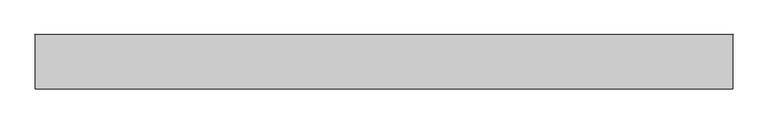
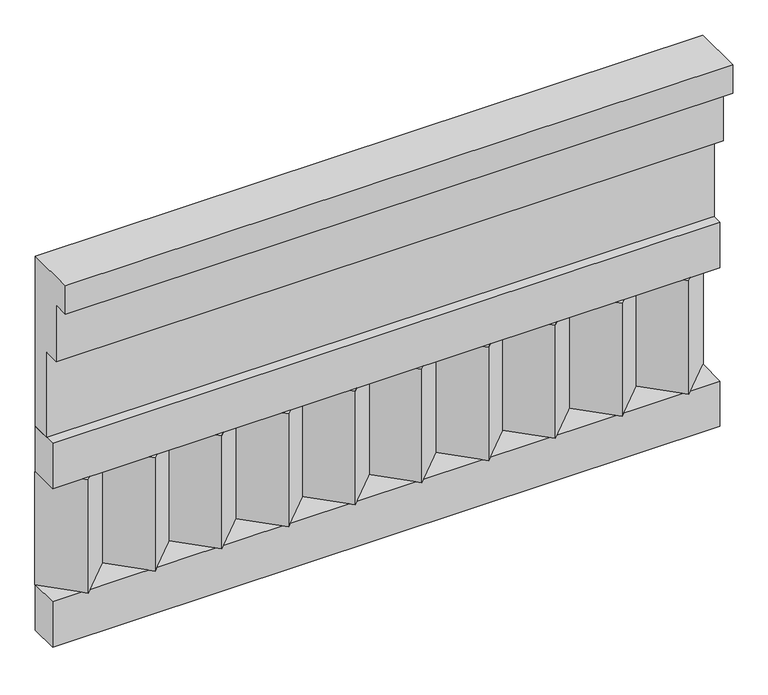
"""IFC4 building model written with IfcOpenShell, lengths in millimetres: railing geometry."""

import ifcopenshell
import ifcopenshell.guid

model = None  # the IFC model being written
_history = None  # IfcOwnerHistory: only IFC2X3 demands one
_inside = {}  # id of a spatial element -> (the spatial element, [elements in it])
_under = {}  # id of a project, library or spatial element -> (it, [spatial elements below it])
_declared = {}  # id of a project -> (the project, [libraries it declares])
_typed = {}  # id of a type object -> (the type object, [elements of that type])
_made_of = {}  # id of a material, layer set ... -> (it, [elements and type objects made of it])


def new_model(schema):
    """Start an empty IFC model of exactly this schema.

    Asked for "IFC4X3", IfcOpenShell would pick the latest addendum, in which some entities
    have other attributes; the version numbers below select the first issue.
    IFC2X3 requires an IfcOwnerHistory on every rooted entity: one is made here for all.
    """
    global model, _history
    if schema == "IFC4X3":
        model = ifcopenshell.file(schema_version=(4, 3, 0, 0))
    else:
        model = ifcopenshell.file(schema=schema)
    _inside.clear()
    _under.clear()
    _declared.clear()
    _typed.clear()
    _made_of.clear()
    _history = None
    if model.schema == "IFC2X3":
        org = make("IfcOrganization", Name="unknown")
        user = make(
            "IfcPersonAndOrganization",
            ThePerson=make("IfcPerson", FamilyName="unknown"),
            TheOrganization=org,
        )
        app = make(
            "IfcApplication",
            ApplicationDeveloper=org,
            Version="unknown",
            ApplicationFullName="unknown",
            ApplicationIdentifier="unknown",
        )
        _history = make(
            "IfcOwnerHistory",
            OwningUser=user,
            OwningApplication=app,
            ChangeAction="ADDED",
            CreationDate=0,
        )
    return model


def make(cls, **values):
    """One entity of the class cls with the attributes given. An attribute that is None is left unset."""
    return model.create_entity(
        cls, **{name: value for name, value in values.items() if value is not None}
    )


def rooted(cls, **values):
    """An entity with a GlobalId (a new one), such as an element, a storey or a relation."""
    return make(cls, GlobalId=ifcopenshell.guid.new(), OwnerHistory=_history, **values)


def si_unit(unit_type, name, prefix=None):
    """IfcSIUnit, for example si_unit("LENGTHUNIT", "METRE", prefix="MILLI")."""
    return make("IfcSIUnit", UnitType=unit_type, Prefix=prefix, Name=name)


def assignment(units):
    """IfcUnitAssignment: the units of a project."""
    return None if units is None else make("IfcUnitAssignment", Units=units)


def point(xyz):
    """IfcCartesianPoint."""
    return None if xyz is None else make("IfcCartesianPoint", Coordinates=xyz)


def direction(xyz):
    """IfcDirection."""
    return None if xyz is None else make("IfcDirection", DirectionRatios=xyz)


def frame(location, z_axis=None, x_axis=None):
    """IfcAxis2Placement3D, a coordinate frame: its origin and axes. An axis left out is left unset."""
    return make(
        "IfcAxis2Placement3D",
        Location=point(location),
        Axis=direction(z_axis),
        RefDirection=direction(x_axis),
    )


def origin():
    """The frame at (0, 0, 0) with its axes left unset."""
    return frame((0.0, 0.0, 0.0))


def place(relative_to, where):
    """IfcLocalPlacement: puts the frame where relative to a parent placement (None: the world)."""
    return make(
        "IfcLocalPlacement", PlacementRelTo=relative_to, RelativePlacement=where
    )


def context(
    kind, dimensions, precision=None, world=None, true_north=None, identifier=None
):
    """IfcGeometricRepresentationContext, for example the 3D "Model" context."""
    return make(
        "IfcGeometricRepresentationContext",
        ContextIdentifier=identifier,
        ContextType=kind,
        CoordinateSpaceDimension=dimensions,
        Precision=precision,
        WorldCoordinateSystem=world,
        TrueNorth=true_north,
    )


def project(units=None, contexts=None):
    """IfcProject with its units and contexts."""
    return rooted(
        "IfcProject",
        Name="project",
        RepresentationContexts=contexts,
        UnitsInContext=assignment(units),
    )


def spatial(cls, under=None, at=None, **own):
    """A site, building, storey or space (cls), placed at a placement, below another one or the project."""
    s = rooted(cls, ObjectPlacement=at, **own)
    if under is not None:
        _under.setdefault(under.id(), (under, []))[1].append(s)
    return s


def polyline(points):
    """IfcPolyline through the points."""
    return make("IfcPolyline", Points=[point(p) for p in points])


def outline(outer, holes=None, kind="AREA"):
    """IfcArbitraryClosedProfileDef: a profile drawn as a closed curve; with holes, ...WithVoids."""
    if holes is None:
        return make("IfcArbitraryClosedProfileDef", ProfileType=kind, OuterCurve=outer)
    return make(
        "IfcArbitraryProfileDefWithVoids",
        ProfileType=kind,
        OuterCurve=outer,
        InnerCurves=holes,
    )


def extrude(swept, where, along, depth):
    """IfcExtrudedAreaSolid: the profile swept, set in the frame where, extruded along a direction by depth."""
    return make(
        "IfcExtrudedAreaSolid",
        SweptArea=swept,
        Position=where,
        ExtrudedDirection=direction(along),
        Depth=depth,
    )


def shape(context_of_items, identifier, shape_type, items):
    """IfcShapeRepresentation: the items that make up one representation, for example the "Body"."""
    return make(
        "IfcShapeRepresentation",
        ContextOfItems=context_of_items,
        RepresentationIdentifier=identifier,
        RepresentationType=shape_type,
        Items=items,
    )


def source(mapping_origin, context_of_items, identifier, shape_type, items):
    """IfcRepresentationMap: a shape defined once, which mapped items show again and again."""
    return make(
        "IfcRepresentationMap",
        MappingOrigin=mapping_origin,
        MappedRepresentation=shape(context_of_items, identifier, shape_type, items),
    )


def transform(
    local_origin,
    x_axis=None,
    y_axis=None,
    z_axis=None,
    scale=None,
    scale2=None,
    scale3=None,
    uniform=True,
):
    """IfcCartesianTransformationOperator3D, or its non-uniform kind. x_axis, y_axis, z_axis: its Axis1, 2, 3."""
    if uniform:
        return make(
            "IfcCartesianTransformationOperator3D",
            Axis1=direction(x_axis),
            Axis2=direction(y_axis),
            LocalOrigin=point(local_origin),
            Scale=scale,
            Axis3=direction(z_axis),
        )
    return make(
        "IfcCartesianTransformationOperator3DnonUniform",
        Axis1=direction(x_axis),
        Axis2=direction(y_axis),
        LocalOrigin=point(local_origin),
        Scale=scale,
        Axis3=direction(z_axis),
        Scale2=scale2,
        Scale3=scale3,
    )


def mapped(mapping_source, mapping_target):
    """IfcMappedItem: shows the shape of a source again, moved by a transform."""
    return make(
        "IfcMappedItem", MappingSource=mapping_source, MappingTarget=mapping_target
    )


def made_of(thing, what):
    """Note that an element or type object is made of a material, layer set ...; save() writes the relation."""
    if what is not None:
        _made_of.setdefault(what.id(), (what, []))[1].append(thing)
    return thing


def element(
    cls,
    number,
    at=None,
    inside=None,
    cuts=None,
    type_object=None,
    material=None,
    context=None,
    identifier="Body",
    shape_type=None,
    held_by="IfcProductDefinitionShape",
    body=None,
    shapes=None,
    **own,
):
    """One element of the class cls, such as IfcWall. Its Tag is "e" and its number.

    at: its placement. inside: the storey or other place that contains it. cuts: it is an
    opening in that element (IfcRelVoidsElement). A single representation is given by context,
    identifier, shape_type and body (its items); several are given by shapes. held_by: the class
    of the entity that holds the representations. save() writes the other relations.
    """
    e = rooted(cls, Tag="e%d" % number, ObjectPlacement=at, **own)
    if body is not None:
        shapes = [shape(context, identifier, shape_type, body)]
    if shapes is not None:
        e.Representation = make(held_by, Representations=shapes)
    if inside is not None:
        _inside.setdefault(inside.id(), (inside, []))[1].append(e)
    if cuts is not None:
        rooted(
            "IfcRelVoidsElement", RelatingBuildingElement=cuts, RelatedOpeningElement=e
        )
    if type_object is not None:
        _typed.setdefault(type_object.id(), (type_object, []))[1].append(e)
    return made_of(e, material)


def aggregate(whole, parts):
    """IfcRelAggregates: a whole, such as a stair, and the parts it consists of."""
    return rooted("IfcRelAggregates", RelatingObject=whole, RelatedObjects=parts)


def save(model, path):
    """Write the relations noted so far, then the file.

    IfcRelAggregates (storeys below a building ...), IfcRelContainedInSpatialStructure (elements
    in a storey), IfcRelDefinesByType, IfcRelAssociatesMaterial and IfcRelDeclares: one each for
    every whole, place, type object, material and project.
    """
    for whole, parts in _under.values():
        aggregate(whole, parts)
    for where, things in _inside.values():
        rooted(
            "IfcRelContainedInSpatialStructure",
            RelatedElements=things,
            RelatingStructure=where,
        )
    for kind, things in _typed.values():
        rooted("IfcRelDefinesByType", RelatedObjects=things, RelatingType=kind)
    for what, things in _made_of.values():
        rooted("IfcRelAssociatesMaterial", RelatedObjects=things, RelatingMaterial=what)
    for by, libraries in _declared.values():
        rooted("IfcRelDeclares", RelatingContext=by, RelatedDefinitions=libraries)
    model.write(path)


def railing_ddf8e158(model_context):
    return source(origin(), model_context, "Body", "SweptSolid", [
        extrude(outline(polyline([(-16816.8920513, 25100.0), (-16816.8920513, 24650.0), (-16866.8920513, 24650.0), (-16866.8920513, 24875.0), (-16906.8920513, 24875.0), (-16906.8920513, 25025.0), (-16946.8920513, 25025.0), (-16946.8920513, 25100.0), (-16816.8920513, 25100.0)])), frame((22660.0112841, 0.0, 0.0), z_axis=(1.0, 0.0, 0.0), x_axis=(0.0, 1.0, 0.0)), (0.0, 0.0, 1.0), 1670.0),
        extrude(outline(polyline([(22660.0112841, -16891.8920513), (22660.0112841, -16816.8920513), (24330.0112841, -16816.8920513), (24330.0112841, -16891.8920513), (22660.0112841, -16891.8920513)])), frame((0.0, 0.0, 24530.0), z_axis=(0.0, 0.0, 1.0), x_axis=(1.0, 0.0, 0.0)), (0.0, 0.0, 1.0), 120.0),
        extrude(outline(polyline([(22660.0112841, -16891.8920513), (22660.0112841, -16816.8920513), (24330.0112841, -16816.8920513), (24330.0112841, -16891.8920513), (22660.0112841, -16891.8920513)])), frame((0.0, 0.0, 24110.0), z_axis=(0.0, 0.0, 1.0), x_axis=(1.0, 0.0, 0.0)), (0.0, 0.0, 1.0), 120.0),
        extrude(outline(polyline([(24246.5112841, -16901.7448651), (24161.6584704, -16816.8920513), (24331.3640978, -16816.8920513), (24246.5112841, -16901.7448651)])), frame((0.0, 0.0, 24230.0), z_axis=(0.0, 0.0, 1.0), x_axis=(1.0, 0.0, 0.0)), (0.0, 0.0, 1.0), 300.0),
        extrude(outline(polyline([(24079.5112841, -16901.7448651), (23994.6584704, -16816.8920513), (24164.3640978, -16816.8920513), (24079.5112841, -16901.7448651)])), frame((0.0, 0.0, 24230.0), z_axis=(0.0, 0.0, 1.0), x_axis=(1.0, 0.0, 0.0)), (0.0, 0.0, 1.0), 300.0),
        extrude(outline(polyline([(23912.5112841, -16901.7448651), (23827.6584704, -16816.8920513), (23997.3640978, -16816.8920513), (23912.5112841, -16901.7448651)])), frame((0.0, 0.0, 24230.0), z_axis=(0.0, 0.0, 1.0), x_axis=(1.0, 0.0, 0.0)), (0.0, 0.0, 1.0), 300.0),
        extrude(outline(polyline([(23745.5112841, -16901.7448651), (23660.6584704, -16816.8920513), (23830.3640978, -16816.8920513), (23745.5112841, -16901.7448651)])), frame((0.0, 0.0, 24230.0), z_axis=(0.0, 0.0, 1.0), x_axis=(1.0, 0.0, 0.0)), (0.0, 0.0, 1.0), 300.0),
        extrude(outline(polyline([(23578.5112841, -16901.7448651), (23493.6584704, -16816.8920513), (23663.3640978, -16816.8920513), (23578.5112841, -16901.7448651)])), frame((0.0, 0.0, 24230.0), z_axis=(0.0, 0.0, 1.0), x_axis=(1.0, 0.0, 0.0)), (0.0, 0.0, 1.0), 300.0),
        extrude(outline(polyline([(23411.5112841, -16901.7448651), (23326.6584704, -16816.8920513), (23496.3640978, -16816.8920513), (23411.5112841, -16901.7448651)])), frame((0.0, 0.0, 24230.0), z_axis=(0.0, 0.0, 1.0), x_axis=(1.0, 0.0, 0.0)), (0.0, 0.0, 1.0), 300.0),
        extrude(outline(polyline([(23244.5112841, -16901.7448651), (23159.6584704, -16816.8920513), (23329.3640978, -16816.8920513), (23244.5112841, -16901.7448651)])), frame((0.0, 0.0, 24230.0), z_axis=(0.0, 0.0, 1.0), x_axis=(1.0, 0.0, 0.0)), (0.0, 0.0, 1.0), 300.0),
        extrude(outline(polyline([(23077.5112841, -16901.7448651), (22992.6584704, -16816.8920513), (23162.3640978, -16816.8920513), (23077.5112841, -16901.7448651)])), frame((0.0, 0.0, 24230.0), z_axis=(0.0, 0.0, 1.0), x_axis=(1.0, 0.0, 0.0)), (0.0, 0.0, 1.0), 300.0),
        extrude(outline(polyline([(22910.5112841, -16901.7448651), (22825.6584704, -16816.8920513), (22995.3640978, -16816.8920513), (22910.5112841, -16901.7448651)])), frame((0.0, 0.0, 24230.0), z_axis=(0.0, 0.0, 1.0), x_axis=(1.0, 0.0, 0.0)), (0.0, 0.0, 1.0), 300.0),
        extrude(outline(polyline([(22743.5112841, -16901.7448651), (22658.6584704, -16816.8920513), (22828.3640978, -16816.8920513), (22743.5112841, -16901.7448651)])), frame((0.0, 0.0, 24230.0), z_axis=(0.0, 0.0, 1.0), x_axis=(1.0, 0.0, 0.0)), (0.0, 0.0, 1.0), 300.0),
    ])


if __name__ == "__main__":
    model = new_model("IFC4")
    model_context = context("Model", 3, world=origin())
    ifc_project = project(units=[si_unit("LENGTHUNIT", "METRE", prefix="MILLI")], contexts=[model_context])
    site = spatial("IfcSite", under=ifc_project)
    building = spatial("IfcBuilding", under=site)
    placement = place(None, origin())
    railing_shape = railing_ddf8e158(model_context)
    element("IfcRailing", 1, at=placement, inside=building, context=model_context, shape_type="MappedRepresentation", body=[
        mapped(railing_shape, transform((0.0, 0.0, 0.0), x_axis=(1.0, 0.0, 0.0), y_axis=(0.0, 1.0, 0.0), z_axis=(0.0, 0.0, 1.0))),
    ])
    save(model, "model.ifc")
